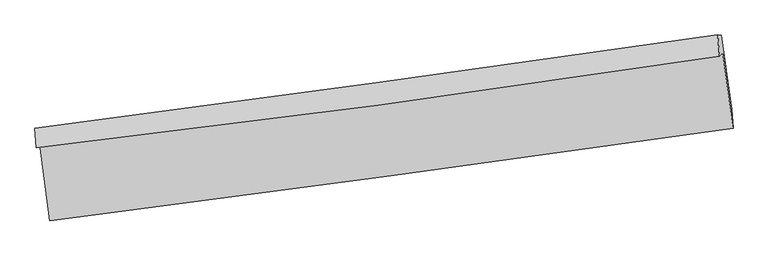
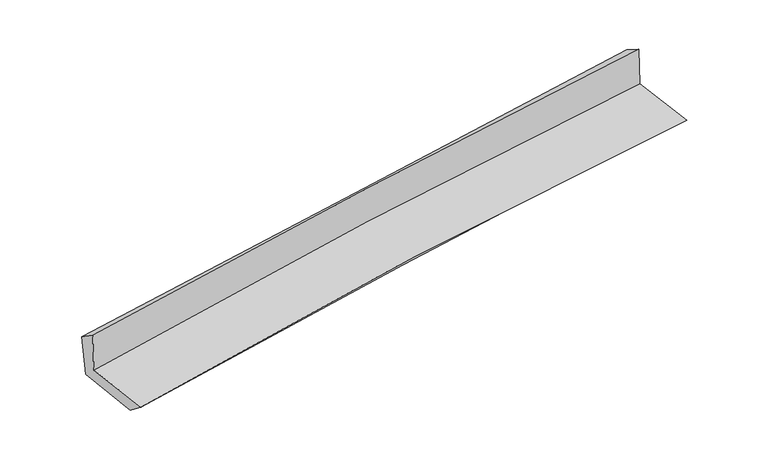
"""IFC4 building model written with IfcOpenShell, lengths in millimetres: proxy geometry."""

from ifc_helpers import new_model, si_unit, frame, origin, place, context, project, spatial, source, transform, mapped, element, save
from ifc_brep_helpers import plane_surface, spline_curve, spline_surface, advanced_brep


def generic_models_325d7e3a(model_context):
    return source(origin(), model_context, "Body", "AdvancedBrep", [
        advanced_brep(
        [(-3012.666336, -1895.7090052, 1640.3381176), (-2923.6957784, -2567.3117078, 1621.9241363), (3060.4714751, -1757.5547715, 2102.2780762), (2970.4753456, -1093.1719037, 2120.3370463), (-3042.3595422, -1927.2795855, 2041.9819008), (2941.211057, -1124.3189273, 2516.6536422), (-3055.0645545, -1757.410048, 1930.2140326), (2925.7369824, -937.9576882, 2405.8313852), (-3019.8659287, -1762.6543866, 1520.0946321), (2958.8705413, -942.874935, 2020.5849764), (-2934.4914591, -2399.6013764, 1490.8091041), (3047.4704137, -1589.4781958, 1991.003828)],
        [
            (0, 1),
            (1, 2, spline_curve(3, [(-2923.6957784, -2567.3117078, 1621.9241363), (-1929.719138838, -2439.466770833, 1757.065218244), (-933.973048728, -2308.053602785, 1864.667180518), (1060.750459907, -2038.132423719, 2024.768180259), (2059.72678781, -1899.626613061, 2077.284197754), (3060.4714751, -1757.5547715, 2102.2780762)], [4, 2, 4], [0.0, 9.94175365938478, 19.880441897594586])),
            (2, 3),
            (3, 0, spline_curve(3, [(2970.4753456, -1093.1719037, 2120.3370463), (1971.429463383, -1245.638411571, 2095.08367003), (973.38810659, -1388.740889203, 2042.467458611), (-1020.993073426, -1656.259033771, 1882.484697798), (-2017.332277562, -1780.668923005, 1775.101266099), (-3012.666336, -1895.7090052, 1640.3381176)], [4, 2, 4], [0.0, 9.938688238209807, 19.880441897594586])),
            (4, 0),
            (3, 5),
            (5, 4, spline_curve(3, [(2941.211057, -1124.3189273, 2516.6536422), (1943.219479843, -1275.658871055, 2477.057320729), (945.66962502, -1418.233265323, 2417.712326173), (-1048.854180247, -1685.892226364, 2259.500596516), (-2045.827858909, -1810.971384658, 2160.62167713), (-3042.3595422, -1927.2795855, 2041.9819008)], [4, 2, 4], [0.0, 9.936185562360853, 19.875435773988418])),
            (6, 4),
            (5, 7),
            (7, 6, spline_curve(3, [(2925.7369824, -937.9576882, 2405.8313852), (1929.827306425, -1081.246811371, 2329.981799842), (933.549246961, -1221.169059315, 2252.428601637), (-1060.051038189, -1494.321922892, 2093.890535333), (-2057.373490875, -1627.550461823, 2012.904615692), (-3055.0645545, -1757.410048, 1930.2140326)], [4, 2, 4], [0.0, 9.933082440653065, 19.869228573467158])),
            (8, 6),
            (7, 9),
            (9, 8, spline_curve(3, [(2958.8705413, -942.874935, 2020.5849764), (1962.585039911, -1086.111093635, 1948.988334713), (966.291074815, -1226.03410442, 1871.489826581), (-1026.621076737, -1499.295965794, 1704.663352977), (-2023.239268018, -1632.632772257, 1615.331746527), (-3019.8659287, -1762.6543866, 1520.0946321)], [4, 2, 4], [0.0, 9.931955977121568, 19.866975298965443])),
            (10, 8),
            (9, 11),
            (11, 10, spline_curve(3, [(3047.4704137, -1589.4781958, 1991.003828), (2050.216725642, -1727.802083158, 1919.609249222), (1053.169891779, -1864.464138637, 1842.236415399), (-940.8175269, -2134.50622411, 1675.50852896), (-1937.757983601, -2267.885228875, 1586.14978836), (-2934.4914591, -2399.6013764, 1490.8091041)], [4, 2, 4], [0.0, 9.93358478475476, 19.870233416610137])),
            (1, 10),
            (11, 2),
        ],
        [
            spline_surface(3, 3, [[(-3012.666336, -1895.7090052, 1640.3381176), (-2017.332277592, -1780.668923147, 1775.101266111), (-1020.993073562, -1656.259033688, 1882.484697659), (973.388106726, -1388.740889286, 2042.467458749), (1971.429463228, -1245.638411557, 2095.08367009), (2970.4753456, -1093.1719037, 2120.3370463)], [(-2983.009483442, -2119.576572744, 1634.200123832), (-1988.127897986, -2000.268205718, 1769.0892501), (-991.986398654, -1873.523890023, 1876.545525278), (1002.508891146, -1605.204734134, 2036.567699293), (2000.861904774, -1463.634478773, 2089.150512692), (3000.47405544, -1314.63285964, 2114.317389592)], [(-2953.352630958, -2343.444140256, 1628.062130068), (-1958.923518454, -2219.867488257, 1763.077234093), (-962.97972373, -2090.788746349, 1870.606352837), (1031.629675582, -1821.668578972, 2030.667939777), (2030.294346299, -1681.63054597, 2083.217355316), (3030.47276526, -1536.09381556, 2108.297732908)], [(-2923.6957784, -2567.3117078, 1621.9241363), (-1929.719138848, -2439.466770828, 1757.065218083), (-933.973048823, -2308.053602685, 1864.667180456), (1060.750460003, -2038.13242382, 2024.768180321), (2059.726787846, -1899.626613185, 2077.284197918), (3060.4714751, -1757.5547715, 2102.2780762)]], [4, 4], [4, 2, 4], [0.0, 2.1543641035448067], [0.0, 9.94175365938478, 19.880441897594586]),
            spline_surface(3, 3, [[(-3042.3595422, -1927.2795855, 2041.9819008), (-2045.8278588, -1810.971384645, 2160.621677211), (-1048.854180413, -1685.892226212, 2259.500596528), (945.669625185, -1418.233265475, 2417.712326161), (1943.219479854, -1275.658871169, 2477.057320637), (2941.211057, -1124.3189273, 2516.6536422)], [(-3032.461806799, -1916.756058734, 1908.100639735), (-2036.32933173, -1800.870564147, 2032.114873513), (-1039.567144784, -1676.014495351, 2133.828630225), (954.909119044, -1408.402473392, 2292.630703677), (1952.622807641, -1265.652051306, 2349.732770459), (2950.965819862, -1113.936586108, 2384.548110237)], [(-3022.564071401, -1906.232531966, 1774.219378665), (-2026.830804662, -1790.769743646, 1903.608069809), (-1030.280109191, -1666.136764549, 2008.156663962), (964.148612867, -1398.571681369, 2167.549081233), (1962.026135441, -1255.64523142, 2222.408220269), (2960.720582738, -1103.554244892, 2252.442578263)], [(-3012.666336, -1895.7090052, 1640.3381176), (-2017.332277592, -1780.668923147, 1775.101266111), (-1020.993073562, -1656.259033688, 1882.484697659), (973.388106726, -1388.740889286, 2042.467458749), (1971.429463228, -1245.638411557, 2095.08367009), (2970.4753456, -1093.1719037, 2120.3370463)]], [4, 4], [4, 2, 4], [0.0, 1.241183422379357], [0.0, 9.939250211627565, 19.875435773988418]),
            spline_surface(3, 3, [[(-3055.0645545, -1757.410048, 1930.2140326), (-2057.373490903, -1627.550461695, 2012.904615672), (-1060.051038121, -1494.321923015, 2093.890535262), (933.549246893, -1221.169059193, 2252.428601708), (1929.827306426, -1081.246811253, 2329.981799699), (2925.7369824, -937.9576882, 2405.8313852)], [(-3050.82955042, -1814.033227168, 1967.469988638), (-2053.524946889, -1688.690769347, 2062.143636156), (-1056.318752224, -1558.178690758, 2149.093889042), (937.589372984, -1286.857127965, 2307.52317655), (1934.291364229, -1146.050831219, 2379.006973344), (2930.89500726, -1000.078101228, 2442.772137532)], [(-3046.59454628, -1870.656406332, 2004.725944762), (-2049.676402814, -1749.831076994, 2111.382656726), (-1052.586466309, -1622.035458468, 2204.297242748), (941.629499094, -1352.545196703, 2362.617751318), (1938.755422052, -1210.854851202, 2428.032146992), (2936.05303214, -1062.198514272, 2479.712889868)], [(-3042.3595422, -1927.2795855, 2041.9819008), (-2045.8278588, -1810.971384645, 2160.621677211), (-1048.854180413, -1685.892226212, 2259.500596528), (945.669625185, -1418.233265475, 2417.712326161), (1943.219479854, -1275.658871169, 2477.057320637), (2941.211057, -1124.3189273, 2516.6536422)]], [4, 4], [4, 2, 4], [0.0, 0.8381725796820241], [0.0, 9.936146132814093, 19.869228573467158]),
            spline_surface(3, 3, [[(-3019.8659287, -1762.6543866, 1520.0946321), (-2023.239268051, -1632.632772099, 1615.331746559), (-1026.621076681, -1499.295965749, 1704.663352998), (966.291074758, -1226.034104465, 1871.48982656), (1962.585040066, -1086.111093615, 1948.988334848), (2958.8705413, -942.874935, 2020.5849764)], [(-3031.598803962, -1760.906273725, 1656.801098955), (-2034.61734233, -1630.938668623, 1747.856036285), (-1037.764397162, -1497.637951495, 1834.405747066), (955.377132135, -1224.412422698, 1998.469418255), (1951.665795522, -1084.489666164, 2075.986156444), (2947.826021669, -941.235852736, 2149.000445978)], [(-3043.331679238, -1759.158160875, 1793.507565745), (-2045.995416623, -1629.244565171, 1880.380325945), (-1048.907717639, -1495.979937269, 1964.148141194), (944.463189516, -1222.790740959, 2125.449010012), (1940.746550971, -1082.868238704, 2202.983978104), (2936.781502031, -939.596770464, 2277.415915622)], [(-3055.0645545, -1757.410048, 1930.2140326), (-2057.373490903, -1627.550461695, 2012.904615672), (-1060.051038121, -1494.321923015, 2093.890535262), (933.549246893, -1221.169059193, 2252.428601708), (1929.827306426, -1081.246811253, 2329.981799699), (2925.7369824, -937.9576882, 2405.8313852)]], [4, 4], [4, 2, 4], [0.0, 1.2681571751784533], [0.0, 9.935019321843875, 19.866975298965443]),
            spline_surface(3, 3, [[(-2934.4914591, -2399.6013764, 1490.8091041), (-1937.757983747, -2267.885228879, 1586.149788336), (-940.817526833, -2134.50622411, 1675.508529037), (1053.169891713, -1864.464138638, 1842.236415322), (2050.21672575, -1727.802083178, 1919.609249245), (3047.4704137, -1589.4781958, 1991.003828)], [(-2962.949615631, -2187.285713135, 1500.57094676), (-1966.251745179, -2056.134409954, 1595.877107737), (-969.418710125, -1922.769471331, 1685.226803683), (1024.210286052, -1651.654127255, 1851.987552393), (2021.00616386, -1513.905086644, 1929.402277789), (3017.937122905, -1373.94377552, 2000.864210809)], [(-2991.407772169, -1974.970049865, 1510.33278944), (-1994.745506618, -1844.383591024, 1605.604427158), (-998.019893388, -1711.032718528, 1694.945078353), (995.250680419, -1438.844115847, 1861.738689488), (1991.795601956, -1300.008090149, 1939.195306305), (2988.403832095, -1158.40935528, 2010.724593591)], [(-3019.8659287, -1762.6543866, 1520.0946321), (-2023.239268051, -1632.632772099, 1615.331746559), (-1026.621076681, -1499.295965749, 1704.663352998), (966.291074758, -1226.034104465, 1871.48982656), (1962.585040066, -1086.111093615, 1948.988334848), (2958.8705413, -942.874935, 2020.5849764)]], [4, 4], [4, 2, 4], [0.0, 2.110594974237105], [0.0, 9.936648631855377, 19.870233416610137]),
            spline_surface(3, 3, [[(-2923.6957784, -2567.3117078, 1621.9241363), (-1929.719138848, -2439.466770828, 1757.065218083), (-933.973048823, -2308.053602685, 1864.667180456), (1060.750460003, -2038.13242382, 2024.768180321), (2059.726787846, -1899.626613185, 2077.284197918), (3060.4714751, -1757.5547715, 2102.2780762)], [(-2927.294338645, -2511.408263993, 1578.219125578), (-1932.398753826, -2382.272923505, 1700.093408179), (-936.254541483, -2250.204476499, 1801.614296647), (1058.223603916, -1980.242995432, 1963.924258652), (2056.556767144, -1842.351769852, 2024.72588171), (3056.137787963, -1701.529246269, 2065.18666015)], [(-2930.892898855, -2455.504820207, 1534.514114822), (-1935.078368768, -2325.079076202, 1643.12159824), (-938.536034174, -2192.355350295, 1738.561412846), (1055.696747799, -1922.353567026, 1903.080336991), (2053.386746452, -1785.076926512, 1972.167565452), (3051.804100837, -1645.503721031, 2028.09524405)], [(-2934.4914591, -2399.6013764, 1490.8091041), (-1937.757983747, -2267.885228879, 1586.149788336), (-940.817526833, -2134.50622411, 1675.508529037), (1053.169891713, -1864.464138638, 1842.236415322), (2050.21672575, -1727.802083178, 1919.609249245), (3047.4704137, -1589.4781958, 1991.003828)]], [4, 4], [4, 2, 4], [0.0, 0.8347175781289449], [0.0, 9.940058304538956, 19.87705171064539]),
            plane_surface(frame((2984.0393025, -1240.8927369, 2192.7814924), z_axis=(0.9878062486745965, 0.1315428513253405, 0.08327840863405508), x_axis=(-0.08568287570329826, 0.01271592487311742, 0.9962413111620269))),
            plane_surface(frame((-2998.0239332, -2051.6610183, 1707.5603206), z_axis=(-0.9881989279910666, -0.12863135038583212, -0.08316762840928126), x_axis=(-0.13127913737840582, 0.9909730338533025, 0.027170466774848825))),
        ],
        [
            (0, [[1, 2, 3, 4]]),
            (1, [[5, -4, 6, 7]]),
            (2, [[8, -7, 9, 10]]),
            (3, [[11, -10, 12, 13]]),
            (4, [[14, -13, 15, 16]]),
            (5, [[17, -16, 18, -2]]),
            (6, [[-12, -9, -6, -3, -18, -15]]),
            (7, [[-1, -5, -8, -11, -14, -17]]),
        ],
    ),
    ])


if __name__ == "__main__":
    model = new_model("IFC4")
    model_context = context("Model", 3, world=origin())
    ifc_project = project(units=[si_unit("LENGTHUNIT", "METRE", prefix="MILLI")], contexts=[model_context])
    site = spatial("IfcSite", under=ifc_project)
    building = spatial("IfcBuilding", under=site)
    placement = place(None, origin())
    generic_models_shape = generic_models_325d7e3a(model_context)
    element("IfcBuildingElementProxy", 1, Name="Generic Models", at=placement, inside=building, context=model_context, shape_type="MappedRepresentation", body=[
        mapped(generic_models_shape, transform((0.0, 0.0, 0.0), x_axis=(1.0, 0.0, 0.0), y_axis=(0.0, 1.0, 0.0), z_axis=(0.0, 0.0, 1.0))),
    ])
    save(model, "model.ifc")
